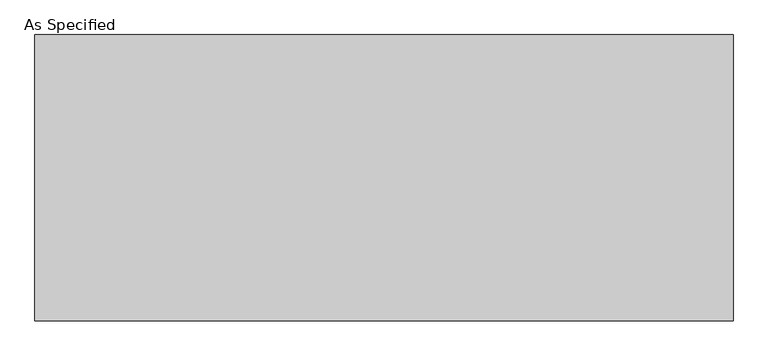
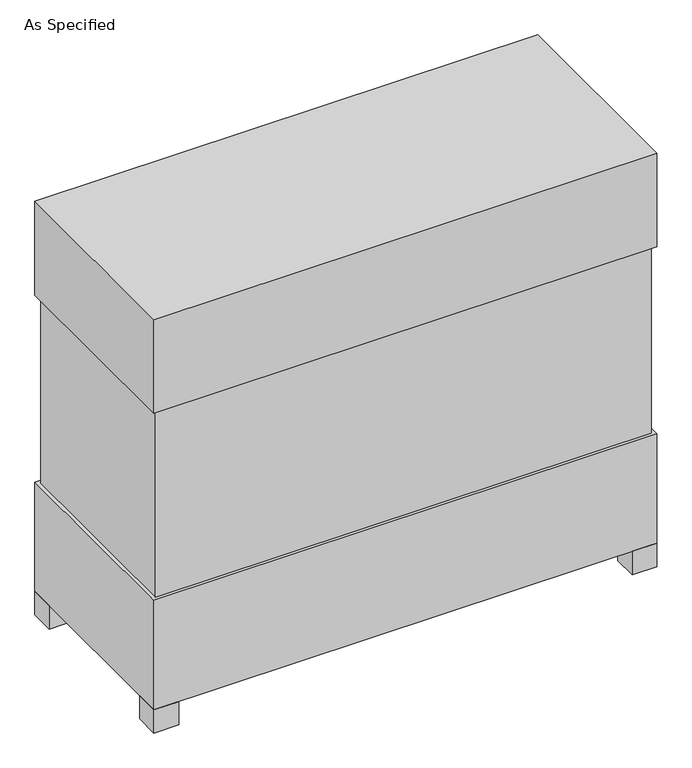
"""IFC4 building model written with IfcOpenShell, lengths in millimetres: proxy geometry, As Specified."""

from ifc_helpers import new_model, si_unit, frame, origin, origin_with_axes, place, context, project, spatial, polyline, outline, extrude, source, transform, mapped, element, save


def as_specified_02cb7af6(model_context):
    return source(origin(), model_context, "Body", "SweptSolid", [
        extrude(outline(polyline([(763.5875, 306.3875), (763.5875, -306.3875), (-763.5875, -306.3875), (-763.5875, 306.3875), (763.5875, 306.3875)])), frame((0.0, 0.0, 431.8), z_axis=(0.0, 0.0, 1.0), x_axis=(1.0, 0.0, 0.0)), (0.0, 0.0, 1.0), 609.6),
        extrude(outline(polyline([(774.7, 317.5), (774.7, -317.5), (-774.7, -317.5), (-774.7, 317.5), (774.7, 317.5)])), frame((0.0, 0.0, 1041.4), z_axis=(0.0, 0.0, 1.0), x_axis=(1.0, 0.0, 0.0)), (0.0, 0.0, 1.0), 304.8),
        extrude(outline(polyline([(660.4, 101.6), (660.4, 25.4), (584.2, 25.4), (584.2, 101.6), (660.4, 101.6)])), frame((0.0, 0.0, 50.8), z_axis=(0.0, 0.0, 1.0), x_axis=(1.0, 0.0, 0.0)), (0.0, 0.0, 1.0), 25.4),
        extrude(outline(polyline([(660.4, -25.4), (660.4, -101.6), (584.2, -101.6), (584.2, -25.4), (660.4, -25.4)])), frame((0.0, 0.0, 50.8), z_axis=(0.0, 0.0, 1.0), x_axis=(1.0, 0.0, 0.0)), (0.0, 0.0, 1.0), 25.4),
        extrude(outline(polyline([(-698.5, 317.5), (-698.5, 241.3), (-774.7, 241.3), (-774.7, 317.5), (-698.5, 317.5)])), origin_with_axes(), (0.0, 0.0, 1.0), 76.2),
        extrude(outline(polyline([(774.7, 317.5), (774.7, 241.3), (698.5, 241.3), (698.5, 317.5), (774.7, 317.5)])), origin_with_axes(), (0.0, 0.0, 1.0), 76.2),
        extrude(outline(polyline([(774.7, -241.3), (774.7, -317.5), (698.5, -317.5), (698.5, -241.3), (774.7, -241.3)])), origin_with_axes(), (0.0, 0.0, 1.0), 76.2),
        extrude(outline(polyline([(-698.5, -241.3), (-698.5, -317.5), (-774.7, -317.5), (-774.7, -241.3), (-698.5, -241.3)])), origin_with_axes(), (0.0, 0.0, 1.0), 76.2),
        extrude(outline(polyline([(774.7, 317.5), (774.7, -317.5), (-774.7, -317.5), (-774.7, 317.5), (774.7, 317.5)])), frame((0.0, 0.0, 76.2), z_axis=(0.0, 0.0, 1.0), x_axis=(1.0, 0.0, 0.0)), (0.0, 0.0, 1.0), 355.6),
    ])


if __name__ == "__main__":
    model = new_model("IFC4")
    model_context = context("Model", 3, world=origin())
    ifc_project = project(units=[si_unit("LENGTHUNIT", "METRE", prefix="MILLI")], contexts=[model_context])
    site = spatial("IfcSite", under=ifc_project)
    building = spatial("IfcBuilding", under=site)
    placement = place(None, origin())
    as_specified_shape = as_specified_02cb7af6(model_context)
    element("IfcBuildingElementProxy", 1, Name="As Specified", ObjectType="As Specified", at=placement, inside=building, context=model_context, shape_type="MappedRepresentation", body=[
        mapped(as_specified_shape, transform((0.0, 0.0, 0.0), x_axis=(1.0, 0.0, 0.0), y_axis=(0.0, 1.0, 0.0), z_axis=(0.0, 0.0, 1.0))),
    ])
    save(model, "model.ifc")
